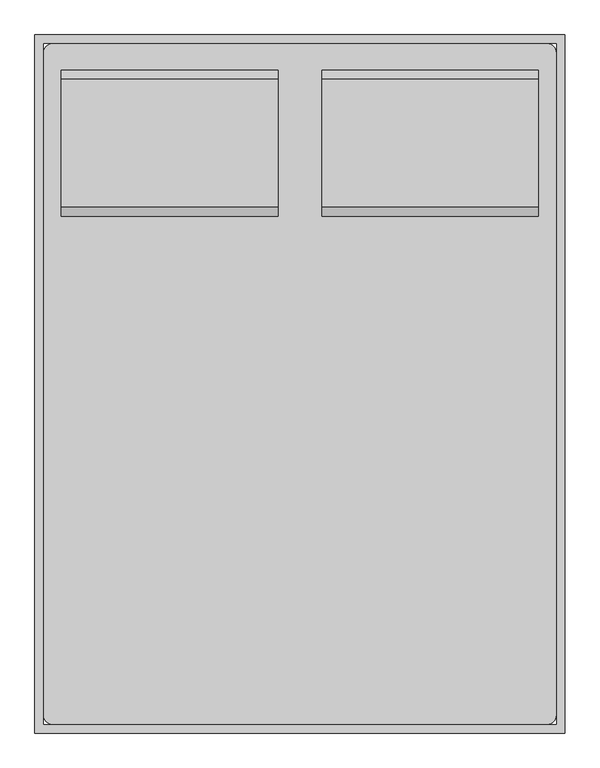
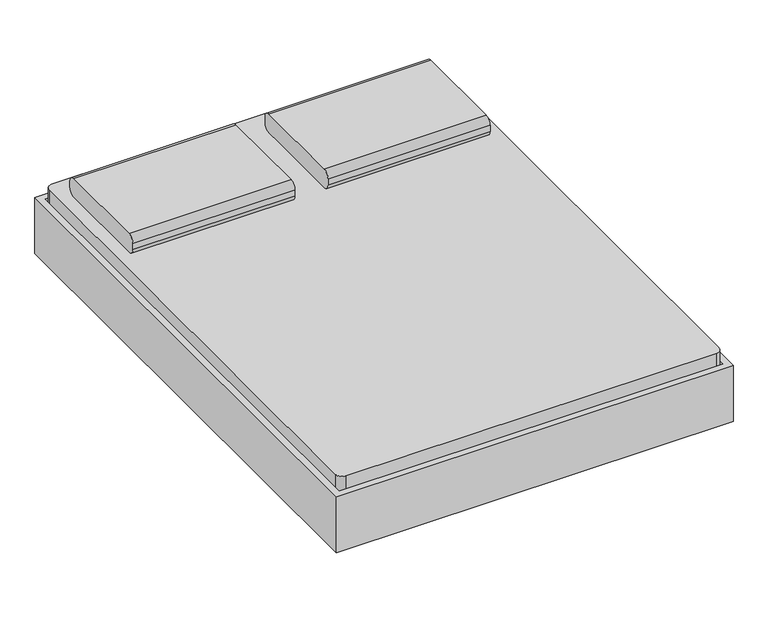
"""IFC4 building model written with IfcOpenShell, lengths in millimetres: furniture geometry."""

from ifc_helpers import new_model, si_unit, point, frame, frame_2d, origin, place, context, project, spatial, polyline, circle_curve, trimmed, segment, composite_curve, outline, extrude, source, transform, mapped, element, save
from ifc_brep_helpers import plane_surface, cylinder_surface, revolved_surface, advanced_brep


def furniture_e2603687(model_context):
    return source(origin(), model_context, "Body", "SolidModel", [
        extrude(outline(composite_curve([segment(polyline([(642.0704918, 406.4), (273.7704918, 406.4)]), True, "CONTINUOUS"), segment(trimmed(circle_curve(frame_2d((273.7704918, 431.8)), 25.4), [point((273.7704918, 406.4))], [point((248.3704918, 431.8))], False, "CARTESIAN"), True, "CONTINUOUS"), segment(polyline([(248.3704918, 431.8), (248.3704918, 457.2)]), True, "CONTINUOUS"), segment(trimmed(circle_curve(frame_2d((273.7704918, 457.2)), 25.4), [point((248.3704918, 457.2))], [point((273.7704918, 482.6))], False, "CARTESIAN"), True, "CONTINUOUS"), segment(polyline([(273.7704918, 482.6), (642.0704918, 482.6)]), True, "CONTINUOUS"), segment(trimmed(circle_curve(frame_2d((642.0704918, 457.2)), 25.4), [point((642.0704918, 482.6))], [point((667.4704918, 457.2))], False, "CARTESIAN"), True, "CONTINUOUS"), segment(polyline([(667.4704918, 457.2), (667.4704918, 431.8)]), True, "CONTINUOUS"), segment(trimmed(circle_curve(frame_2d((642.0704918, 431.8)), 25.4), [point((667.4704918, 431.8))], [point((642.0704918, 406.4))], False, "CARTESIAN"), True, "CONTINUOUS")], self_intersect=False)), frame((402.652459, 0.0, 0.0), z_axis=(1.0, 0.0, 0.0), x_axis=(0.0, 1.0, 0.0)), (0.0, 0.0, 1.0), 622.8),
        extrude(outline(composite_curve([segment(polyline([(642.0704918, 406.4), (273.7704918, 406.4)]), True, "CONTINUOUS"), segment(trimmed(circle_curve(frame_2d((273.7704918, 431.8)), 25.4), [point((273.7704918, 406.4))], [point((248.3704918, 431.8))], False, "CARTESIAN"), True, "CONTINUOUS"), segment(polyline([(248.3704918, 431.8), (248.3704918, 457.2)]), True, "CONTINUOUS"), segment(trimmed(circle_curve(frame_2d((273.7704918, 457.2)), 25.4), [point((248.3704918, 457.2))], [point((273.7704918, 482.6))], False, "CARTESIAN"), True, "CONTINUOUS"), segment(polyline([(273.7704918, 482.6), (642.0704918, 482.6)]), True, "CONTINUOUS"), segment(trimmed(circle_curve(frame_2d((642.0704918, 457.2)), 25.4), [point((642.0704918, 482.6))], [point((667.4704918, 457.2))], False, "CARTESIAN"), True, "CONTINUOUS"), segment(polyline([(667.4704918, 457.2), (667.4704918, 431.8)]), True, "CONTINUOUS"), segment(trimmed(circle_curve(frame_2d((642.0704918, 431.8)), 25.4), [point((667.4704918, 431.8))], [point((642.0704918, 406.4))], False, "CARTESIAN"), True, "CONTINUOUS")], self_intersect=False)), frame((-347.147541, 0.0, 0.0), z_axis=(1.0, 0.0, 0.0), x_axis=(0.0, 1.0, 0.0)), (0.0, 0.0, 1.0), 622.8),
        advanced_brep(
        [(-397.6231784, 515.0704918, 177.8), (-397.6231784, 438.8704918, 177.8), (-397.6231784, 438.8704918, 196.85), (-397.6231784, 515.0704918, 196.85), (-346.8231784, 515.0704918, 177.8), (-346.8231784, 438.8704918, 177.8), (-334.6869899, 438.8704918, 196.85), (-334.6869899, 515.0704918, 196.85), (-270.7523099, 515.0704918, 14.6654962), (-270.7523099, 438.8704918, 14.6654962), (-253.4871466, 438.8704918, 22.716374), (-253.4871466, 515.0704918, 22.716374), (-247.7320921, 438.8704918, 0.0), (-247.7320921, 515.0704918, 0.0), (-247.7320921, 438.8704918, 19.05), (-247.7320921, 515.0704918, 19.05), (-169.1195862, 515.0704918, 0.0), (-169.1195862, 438.8704918, 0.0), (-169.1195862, 438.8704918, 19.05), (-169.1195862, 515.0704918, 19.05), (-156.4195862, 438.8704918, 3.4029547), (-156.4195862, 515.0704918, 3.4029547), (-165.9445862, 438.8704918, 19.9007387), (-165.9445862, 515.0704918, 19.9007387), (-96.322541, 515.0704918, 38.1), (-96.322541, 438.8704918, 38.1), (-101.4269731, 438.8704918, 57.15), (-101.4269731, 515.0704918, 57.15), (774.9518216, 515.0704918, 38.1), (774.9518216, 438.8704918, 38.1), (780.0562537, 438.8704918, 57.15), (780.0562537, 515.0704918, 57.15), (835.0488669, 515.0704918, 3.4029547), (835.0488669, 438.8704918, 3.4029547), (844.5738669, 438.8704918, 19.9007387), (844.5738669, 515.0704918, 19.9007387), (847.7488669, 438.8704918, 0.0), (847.7488669, 515.0704918, 0.0), (847.7488669, 438.8704918, 19.05), (847.7488669, 515.0704918, 19.05), (926.3613728, 515.0704918, 0.0), (926.3613728, 438.8704918, 0.0), (926.3613728, 438.8704918, 19.05), (926.3613728, 515.0704918, 19.05), (949.3815906, 438.8704918, 14.6654962), (949.3815906, 515.0704918, 14.6654962), (932.1164272, 438.8704918, 22.716374), (932.1164272, 515.0704918, 22.716374), (1025.452459, 515.0704918, 177.8), (1025.452459, 438.8704918, 177.8), (1013.3162705, 438.8704918, 196.85), (1013.3162705, 515.0704918, 196.85), (1076.252459, 515.0704918, 177.8), (1076.252459, 515.0704918, 196.85), (1076.252459, 438.8704918, 196.85), (1076.252459, 438.8704918, 177.8)],
        [
            (0, 1),
            (1, 2),
            (2, 3),
            (3, 0),
            (0, 4),
            (4, 5),
            (5, 1),
            (5, 6),
            (6, 2),
            (6, 7),
            (7, 3),
            (7, 4),
            (4, 8),
            (8, 9),
            (9, 5),
            (9, 10),
            (10, 6),
            (10, 11),
            (11, 7),
            (11, 8),
            (12, 9, circle_curve(frame((-247.7320921, 438.8704918, 25.4), z_axis=(0.0, 1.0, 0.0), x_axis=(-0.906307787036649, 0.0, -0.4226182617407015)), 25.4)),
            (8, 13, circle_curve(frame((-247.7320921, 515.0704918, 25.4), z_axis=(0.0, -1.0, 0.0), x_axis=(-0.906307787036649, 0.0, -0.4226182617407015)), 25.4)),
            (13, 12),
            (14, 10, circle_curve(frame((-247.7320921, 438.8704918, 25.4), z_axis=(0.0, 1.0, 0.0), x_axis=(-0.906307787036649, 0.0, -0.4226182617407015)), 6.35)),
            (12, 14),
            (15, 11, circle_curve(frame((-247.7320921, 515.0704918, 25.4), z_axis=(0.0, 1.0, 0.0), x_axis=(-0.906307787036649, 0.0, -0.4226182617407015)), 6.35)),
            (14, 15),
            (15, 13),
            (13, 16),
            (16, 17),
            (17, 12),
            (17, 18),
            (18, 14),
            (18, 19),
            (19, 15),
            (19, 16),
            (20, 17, circle_curve(frame((-169.1195862, 438.8704918, 25.4), z_axis=(0.0, 1.0, 0.0), x_axis=(0.0, 0.0, -1.0)), 25.4)),
            (16, 21, circle_curve(frame((-169.1195862, 515.0704918, 25.4), z_axis=(0.0, -1.0, 0.0), x_axis=(0.0, 0.0, -1.0)), 25.4)),
            (21, 20),
            (22, 18, circle_curve(frame((-169.1195862, 438.8704918, 25.4), z_axis=(0.0, 1.0, 0.0), x_axis=(0.0, 0.0, -1.0)), 6.35)),
            (20, 22),
            (23, 19, circle_curve(frame((-169.1195862, 515.0704918, 25.4), z_axis=(0.0, 1.0, 0.0), x_axis=(0.0, 0.0, -1.0)), 6.35)),
            (22, 23),
            (23, 21),
            (21, 24),
            (24, 25),
            (25, 20),
            (25, 26),
            (26, 22),
            (26, 27),
            (27, 23),
            (27, 24),
            (24, 28),
            (28, 29),
            (29, 25),
            (29, 30),
            (30, 26),
            (30, 31),
            (31, 27),
            (31, 28),
            (28, 32),
            (32, 33),
            (33, 29),
            (33, 34),
            (34, 30),
            (34, 35),
            (35, 31),
            (35, 32),
            (36, 33, circle_curve(frame((847.7488669, 438.8704918, 25.4), z_axis=(0.0, 1.0, 0.0), x_axis=(-0.5000000000000463, 0.0, -0.8660254037844118)), 25.4)),
            (32, 37, circle_curve(frame((847.7488669, 515.0704918, 25.4), z_axis=(0.0, -1.0, 0.0), x_axis=(-0.5000000000000463, 0.0, -0.8660254037844118)), 25.4)),
            (37, 36),
            (38, 34, circle_curve(frame((847.7488669, 438.8704918, 25.4), z_axis=(0.0, 1.0, 0.0), x_axis=(-0.5000000000000463, 0.0, -0.8660254037844118)), 6.35)),
            (36, 38),
            (39, 35, circle_curve(frame((847.7488669, 515.0704918, 25.4), z_axis=(0.0, 1.0, 0.0), x_axis=(-0.5000000000000463, 0.0, -0.8660254037844118)), 6.35)),
            (38, 39),
            (39, 37),
            (37, 40),
            (40, 41),
            (41, 36),
            (41, 42),
            (42, 38),
            (42, 43),
            (43, 39),
            (43, 40),
            (44, 41, circle_curve(frame((926.3613728, 438.8704918, 25.4), z_axis=(0.0, 1.0, 0.0), x_axis=(0.0, 0.0, -1.0)), 25.4)),
            (40, 45, circle_curve(frame((926.3613728, 515.0704918, 25.4), z_axis=(0.0, -1.0, 0.0), x_axis=(0.0, 0.0, -1.0)), 25.4)),
            (45, 44),
            (46, 42, circle_curve(frame((926.3613728, 438.8704918, 25.4), z_axis=(0.0, 1.0, 0.0), x_axis=(0.0, 0.0, -1.0)), 6.35)),
            (44, 46),
            (47, 43, circle_curve(frame((926.3613728, 515.0704918, 25.4), z_axis=(0.0, 1.0, 0.0), x_axis=(0.0, 0.0, -1.0)), 6.35)),
            (46, 47),
            (47, 45),
            (45, 48),
            (48, 49),
            (49, 44),
            (49, 50),
            (50, 46),
            (50, 51),
            (51, 47),
            (51, 48),
            (52, 53),
            (53, 54),
            (54, 55),
            (55, 52),
            (48, 52),
            (55, 49),
            (54, 50),
            (53, 51),
        ],
        [
            plane_surface(frame((-397.6231784, 769.0704918, -152.9490627), z_axis=(-1.0, 0.0, 0.0), x_axis=(0.0, 1.0, 0.0))),
            plane_surface(frame((-397.6231784, 515.0704918, 177.8), z_axis=(0.0, 0.0, -1.0), x_axis=(1.0, 0.0, 0.0))),
            plane_surface(frame((-397.6231784, 438.8704918, 177.8), z_axis=(0.0, -1.0, 0.0), x_axis=(1.0, 0.0, 0.0))),
            plane_surface(frame((-397.6231784, 438.8704918, 196.85), z_axis=(0.0, 0.0, 1.0), x_axis=(1.0, 0.0, 0.0))),
            plane_surface(frame((-397.6231784, 515.0704918, 196.85), z_axis=(0.0, 1.0, 0.0), x_axis=(1.0, 0.0, 0.0))),
            plane_surface(frame((-346.8231784, 515.0704918, 177.8), z_axis=(-0.9063077870366485, 0.0, -0.4226182617407029), x_axis=(0.4226182617407029, 0.0, -0.9063077870366485))),
            plane_surface(frame((-346.8231784, 438.8704918, 177.8), z_axis=(0.0, -1.0, 0.0), x_axis=(0.42261826174070266, 0.0, -0.9063077870366485))),
            plane_surface(frame((-334.6869899, 438.8704918, 196.85), z_axis=(0.9063077870366486, 0.0, 0.4226182617407026), x_axis=(0.4226182617407026, 0.0, -0.9063077870366486))),
            plane_surface(frame((-334.6869899, 515.0704918, 196.85), z_axis=(0.0, 1.0, 0.0), x_axis=(0.42261826174070266, 0.0, -0.9063077870366485))),
            cylinder_surface(frame((-247.7320921, 769.0704918, 25.4), z_axis=(0.0, -1.0, 0.0), x_axis=(-0.906307787036649, 0.0, -0.4226182617407015)), 25.4),
            plane_surface(frame((-247.7320921, 438.8704918, 25.4), z_axis=(0.0, -1.0, 0.0), x_axis=(-0.906307787036649, 0.0, -0.4226182617407015))),
            revolved_surface(polyline([(-253.4871465476827, 438.8704918, 22.716374037946544), (-253.4871465476827, 515.0704918, 22.716374037946544)]), (-247.7320921, 769.0704918, 25.4), (0.0, -1.0, 0.0)),
            plane_surface(frame((-247.7320921, 515.0704918, 25.4), z_axis=(0.0, 1.0, 0.0), x_axis=(-0.906307787036649, 0.0, -0.4226182617407015))),
            plane_surface(frame((-247.7320921, 515.0704918, 0.0), z_axis=(0.0, 0.0, -1.0), x_axis=(1.0, 0.0, 0.0))),
            plane_surface(frame((-247.7320921, 438.8704918, 0.0), z_axis=(0.0, -1.0, 0.0), x_axis=(1.0, 0.0, 0.0))),
            plane_surface(frame((-247.7320921, 438.8704918, 19.05), z_axis=(0.0, 0.0, 1.0), x_axis=(1.0, 0.0, 0.0))),
            plane_surface(frame((-247.7320921, 515.0704918, 19.05), z_axis=(0.0, 1.0, 0.0), x_axis=(1.0, 0.0, 0.0))),
            cylinder_surface(frame((-169.1195862, 769.0704918, 25.4), z_axis=(0.0, -1.0, 0.0), x_axis=(0.0, 0.0, -1.0)), 25.4),
            plane_surface(frame((-169.1195862, 438.8704918, 25.4), z_axis=(0.0, -1.0, 0.0), x_axis=(0.0, 0.0, -1.0))),
            revolved_surface(polyline([(-169.1195862, 438.8704918, 19.049999999999997), (-169.1195862, 515.0704918, 19.049999999999997)]), (-169.1195862, 769.0704918, 25.4), (0.0, -1.0, 0.0)),
            plane_surface(frame((-169.1195862, 515.0704918, 25.4), z_axis=(0.0, 1.0, 0.0), x_axis=(0.0, 0.0, -1.0))),
            plane_surface(frame((-156.4195862, 515.0704918, 3.4029547), z_axis=(0.49999999999987765, 0.0, -0.8660254037845093), x_axis=(0.8660254037845093, 0.0, 0.49999999999987765))),
            plane_surface(frame((-156.4195862, 438.8704918, 3.4029547), z_axis=(0.0, -1.0, 0.0), x_axis=(0.8660254037845091, 0.0, 0.499999999999878))),
            plane_surface(frame((-165.9445862, 438.8704918, 19.9007387), z_axis=(-0.49999999999987765, 0.0, 0.8660254037845093), x_axis=(0.8660254037845093, 0.0, 0.49999999999987765))),
            plane_surface(frame((-165.9445862, 515.0704918, 19.9007387), z_axis=(0.0, 1.0000000000000002, 0.0), x_axis=(0.8660254037845089, 0.0, 0.4999999999998785))),
            plane_surface(frame((-96.322541, 515.0704918, 38.1), z_axis=(0.0, 0.0, -1.0), x_axis=(1.0, 0.0, 0.0))),
            plane_surface(frame((-96.322541, 438.8704918, 38.1), z_axis=(0.0, -1.0, 0.0), x_axis=(1.0, 0.0, 0.0))),
            plane_surface(frame((-101.4269731, 438.8704918, 57.15), z_axis=(0.0, 0.0, 1.0), x_axis=(1.0, 0.0, 0.0))),
            plane_surface(frame((-101.4269731, 515.0704918, 57.15), z_axis=(0.0, 1.0, 0.0), x_axis=(1.0, 0.0, 0.0))),
            plane_surface(frame((774.9518216, 515.0704918, 38.1), z_axis=(-0.5000000000000452, 0.0, -0.8660254037844126), x_axis=(0.8660254037844126, 0.0, -0.5000000000000452))),
            plane_surface(frame((774.9518216, 438.8704918, 38.1), z_axis=(0.0, -1.0, 0.0), x_axis=(0.8660254037844124, 0.0, -0.5000000000000455))),
            plane_surface(frame((780.0562537, 438.8704918, 57.15), z_axis=(0.5000000000000464, 0.0, 0.8660254037844118), x_axis=(0.8660254037844118, 0.0, -0.5000000000000464))),
            plane_surface(frame((780.0562537, 515.0704918, 57.15), z_axis=(0.0, 1.0000000000000002, 0.0), x_axis=(0.866025403784413, 0.0, -0.5000000000000447))),
            cylinder_surface(frame((847.7488669, 769.0704918, 25.4), z_axis=(0.0, -1.0, 0.0), x_axis=(-0.5000000000000463, 0.0, -0.8660254037844118)), 25.4),
            plane_surface(frame((847.7488669, 438.8704918, 25.4), z_axis=(0.0, -1.0000000000000002, 0.0), x_axis=(-0.5000000000000464, 0.0, -0.866025403784412))),
            revolved_surface(polyline([(844.5738668999998, 438.8704918, 19.90073868596898), (844.5738668999998, 515.0704918, 19.90073868596898)]), (847.7488669, 769.0704918, 25.4), (0.0, -1.0, 0.0)),
            plane_surface(frame((847.7488669, 515.0704918, 25.4), z_axis=(0.0, 1.0000000000000002, 0.0), x_axis=(-0.5000000000000464, 0.0, -0.866025403784412))),
            plane_surface(frame((847.7488669, 515.0704918, 0.0), z_axis=(0.0, 0.0, -1.0), x_axis=(1.0, 0.0, 0.0))),
            plane_surface(frame((847.7488669, 438.8704918, 0.0), z_axis=(0.0, -1.0, 0.0), x_axis=(1.0, 0.0, 0.0))),
            plane_surface(frame((847.7488669, 438.8704918, 19.05), z_axis=(0.0, 0.0, 1.0), x_axis=(1.0, 0.0, 0.0))),
            plane_surface(frame((847.7488669, 515.0704918, 19.05), z_axis=(0.0, 1.0, 0.0), x_axis=(1.0, 0.0, 0.0))),
            cylinder_surface(frame((926.3613728, 769.0704918, 25.4), z_axis=(0.0, -1.0, 0.0), x_axis=(0.0, 0.0, -1.0)), 25.4),
            plane_surface(frame((926.3613728, 438.8704918, 25.4), z_axis=(0.0, -1.0, 0.0), x_axis=(0.0, 0.0, -1.0))),
            revolved_surface(polyline([(926.3613728, 438.8704918, 19.049999999999997), (926.3613728, 515.0704918, 19.049999999999997)]), (926.3613728, 769.0704918, 25.4), (0.0, -1.0, 0.0)),
            plane_surface(frame((926.3613728, 515.0704918, 25.4), z_axis=(0.0, 1.0, 0.0), x_axis=(0.0, 0.0, -1.0))),
            plane_surface(frame((949.3815906, 515.0704918, 14.6654962), z_axis=(0.9063077870366805, 0.0, -0.422618261740634), x_axis=(0.422618261740634, 0.0, 0.9063077870366805))),
            plane_surface(frame((949.3815906, 438.8704918, 14.6654962), z_axis=(0.0, -1.0, 0.0), x_axis=(0.4226182617406339, 0.0, 0.9063077870366806))),
            plane_surface(frame((932.1164272, 438.8704918, 22.716374), z_axis=(-0.9063077870366808, 0.0, 0.4226182617406335), x_axis=(0.4226182617406335, 0.0, 0.9063077870366808))),
            plane_surface(frame((932.1164272, 515.0704918, 22.716374), z_axis=(0.0, 1.0, 0.0), x_axis=(0.42261826174063294, 0.0, 0.906307787036681))),
            plane_surface(frame((1076.252459, 769.0704918, -152.9490627), z_axis=(1.0, 0.0, 0.0), x_axis=(0.0, 1.0, 0.0))),
            plane_surface(frame((1025.452459, 515.0704918, 177.8), z_axis=(0.0, 0.0, -1.0), x_axis=(1.0, 0.0, 0.0))),
            plane_surface(frame((1025.452459, 438.8704918, 177.8), z_axis=(0.0, -1.0, 0.0), x_axis=(1.0, 0.0, 0.0))),
            plane_surface(frame((1013.3162705, 438.8704918, 196.85), z_axis=(0.0, 0.0, 1.0), x_axis=(1.0, 0.0, 0.0))),
            plane_surface(frame((1013.3162705, 515.0704918, 196.85), z_axis=(0.0, 1.0, 0.0), x_axis=(1.0, 0.0, 0.0))),
        ],
        [
            (0, [[1, 2, 3, 4]]),
            (1, [[-1, 5, 6, 7]]),
            (2, [[-2, -7, 8, 9]]),
            (3, [[-3, -9, 10, 11]]),
            (4, [[-4, -11, 12, -5]]),
            (5, [[-6, 13, 14, 15]]),
            (6, [[-8, -15, 16, 17]]),
            (7, [[-10, -17, 18, 19]]),
            (8, [[-12, -19, 20, -13]]),
            (9, [[21, -14, 22, 23]]),
            (10, [[24, -16, -21, 25]]),
            (11, [[26, -18, -24, 27]]),
            (12, [[-22, -20, -26, 28]]),
            (13, [[-23, 29, 30, 31]]),
            (14, [[-25, -31, 32, 33]]),
            (15, [[-27, -33, 34, 35]]),
            (16, [[-28, -35, 36, -29]]),
            (17, [[37, -30, 38, 39]]),
            (18, [[40, -32, -37, 41]]),
            (19, [[42, -34, -40, 43]]),
            (20, [[-38, -36, -42, 44]]),
            (21, [[-39, 45, 46, 47]]),
            (22, [[-41, -47, 48, 49]]),
            (23, [[-43, -49, 50, 51]]),
            (24, [[-44, -51, 52, -45]]),
            (25, [[-46, 53, 54, 55]]),
            (26, [[-48, -55, 56, 57]]),
            (27, [[-50, -57, 58, 59]]),
            (28, [[-52, -59, 60, -53]]),
            (29, [[-54, 61, 62, 63]]),
            (30, [[-56, -63, 64, 65]]),
            (31, [[-58, -65, 66, 67]]),
            (32, [[-60, -67, 68, -61]]),
            (33, [[69, -62, 70, 71]]),
            (34, [[72, -64, -69, 73]]),
            (35, [[74, -66, -72, 75]]),
            (36, [[-70, -68, -74, 76]]),
            (37, [[-71, 77, 78, 79]]),
            (38, [[-73, -79, 80, 81]]),
            (39, [[-75, -81, 82, 83]]),
            (40, [[-76, -83, 84, -77]]),
            (41, [[85, -78, 86, 87]]),
            (42, [[88, -80, -85, 89]]),
            (43, [[90, -82, -88, 91]]),
            (44, [[-86, -84, -90, 92]]),
            (45, [[-87, 93, 94, 95]]),
            (46, [[-89, -95, 96, 97]]),
            (47, [[-91, -97, 98, 99]]),
            (48, [[-92, -99, 100, -93]]),
            (49, [[101, 102, 103, 104]]),
            (50, [[-94, 105, -104, 106]]),
            (51, [[-96, -106, -103, 107]]),
            (52, [[-98, -107, -102, 108]]),
            (53, [[-100, -108, -101, -105]]),
        ],
    ),
        extrude(outline(composite_curve([segment(polyline([(-372.547541, 743.6704918), (1050.852459, 743.6704918)]), True, "CONTINUOUS"), segment(trimmed(circle_curve(frame_2d((1050.852459, 718.2704918)), 25.4), [point((1050.852459, 743.6704918))], [point((1076.252459, 718.2704918))], False, "CARTESIAN"), True, "CONTINUOUS"), segment(polyline([(1076.252459, 718.2704918), (1076.252459, -1187.1295082)]), True, "CONTINUOUS"), segment(trimmed(circle_curve(frame_2d((1050.852459, -1187.1295082)), 25.4), [point((1076.252459, -1187.1295082))], [point((1050.852459, -1212.5295082))], False, "CARTESIAN"), True, "CONTINUOUS"), segment(polyline([(1050.852459, -1212.5295082), (-372.547541, -1212.5295082)]), True, "CONTINUOUS"), segment(trimmed(circle_curve(frame_2d((-372.547541, -1187.1295082)), 25.4), [point((-372.547541, -1212.5295082))], [point((-397.947541, -1187.1295082))], False, "CARTESIAN"), True, "CONTINUOUS"), segment(polyline([(-397.947541, -1187.1295082), (-397.947541, 718.2704918)]), True, "CONTINUOUS"), segment(trimmed(circle_curve(frame_2d((-372.547541, 718.2704918)), 25.4), [point((-397.947541, 718.2704918))], [point((-372.547541, 743.6704918))], False, "CARTESIAN"), True, "CONTINUOUS")], self_intersect=False)), frame((0.0, 0.0, 203.2), z_axis=(0.0, 0.0, 1.0), x_axis=(1.0, 0.0, 0.0)), (0.0, 0.0, 1.0), 203.2),
        advanced_brep(
        [(-397.947541, -933.1295082, 196.85), (-397.947541, -933.1295082, 177.8), (-397.947541, -1009.3295082, 177.8), (-397.947541, -1009.3295082, 196.85), (-335.0113525, -933.1295082, 196.85), (-347.147541, -933.1295082, 177.8), (-347.147541, -1009.3295082, 177.8), (-335.0113525, -1009.3295082, 196.85), (-253.8115092, -933.1295082, 22.716374), (-271.0766725, -933.1295082, 14.6654962), (-271.0766725, -1009.3295082, 14.6654962), (-253.8115092, -1009.3295082, 22.716374), (-248.0564547, -933.1295082, 0.0), (-248.0564547, -933.1295082, 19.05), (-248.0564547, -1009.3295082, 0.0), (-248.0564547, -1009.3295082, 19.05), (-169.4439489, -933.1295082, 19.05), (-169.4439489, -933.1295082, 0.0), (-169.4439489, -1009.3295082, 0.0), (-169.4439489, -1009.3295082, 19.05), (-156.7439489, -933.1295082, 3.4029547), (-166.2689489, -933.1295082, 19.9007387), (-156.7439489, -1009.3295082, 3.4029547), (-166.2689489, -1009.3295082, 19.9007387), (-101.7513357, -933.1295082, 57.15), (-96.6469036, -933.1295082, 38.1), (-96.6469036, -1009.3295082, 38.1), (-101.7513357, -1009.3295082, 57.15), (780.0562537, -933.1295082, 57.15), (774.9518216, -933.1295082, 38.1), (774.9518216, -1009.3295082, 38.1), (780.0562537, -1009.3295082, 57.15), (844.5738669, -933.1295082, 19.9007387), (835.0488669, -933.1295082, 3.4029547), (835.0488669, -1009.3295082, 3.4029547), (844.5738669, -1009.3295082, 19.9007387), (847.7488669, -933.1295082, 0.0), (847.7488669, -933.1295082, 19.05), (847.7488669, -1009.3295082, 0.0), (847.7488669, -1009.3295082, 19.05), (926.3613728, -933.1295082, 19.05), (926.3613728, -933.1295082, 0.0), (926.3613728, -1009.3295082, 0.0), (926.3613728, -1009.3295082, 19.05), (949.3815906, -933.1295082, 14.6654962), (932.1164272, -933.1295082, 22.716374), (949.3815906, -1009.3295082, 14.6654962), (932.1164272, -1009.3295082, 22.716374), (1013.3162705, -933.1295082, 196.85), (1025.452459, -933.1295082, 177.8), (1025.452459, -1009.3295082, 177.8), (1013.3162705, -1009.3295082, 196.85), (1076.252459, -933.1295082, 196.85), (1076.252459, -1009.3295082, 196.85), (1076.252459, -1009.3295082, 177.8), (1076.252459, -933.1295082, 177.8)],
        [
            (0, 1),
            (1, 2),
            (2, 3),
            (3, 0),
            (0, 4),
            (4, 5),
            (5, 1),
            (5, 6),
            (6, 2),
            (6, 7),
            (7, 3),
            (7, 4),
            (4, 8),
            (8, 9),
            (9, 5),
            (9, 10),
            (10, 6),
            (10, 11),
            (11, 7),
            (11, 8),
            (12, 9, circle_curve(frame((-248.0564547, -933.1295082, 25.4), z_axis=(0.0, 1.0, 0.0), x_axis=(-0.9063077870366625, 0.0, -0.4226182617406725)), 25.4)),
            (8, 13, circle_curve(frame((-248.0564547, -933.1295082, 25.4), z_axis=(0.0, -1.0, 0.0), x_axis=(-0.9063077870366625, 0.0, -0.4226182617406725)), 6.35)),
            (13, 12),
            (14, 10, circle_curve(frame((-248.0564547, -1009.3295082, 25.4), z_axis=(0.0, 1.0, 0.0), x_axis=(-0.9063077870366625, 0.0, -0.4226182617406725)), 25.4)),
            (12, 14),
            (15, 11, circle_curve(frame((-248.0564547, -1009.3295082, 25.4), z_axis=(0.0, 1.0, 0.0), x_axis=(-0.9063077870366625, 0.0, -0.4226182617406725)), 6.35)),
            (14, 15),
            (15, 13),
            (13, 16),
            (16, 17),
            (17, 12),
            (17, 18),
            (18, 14),
            (18, 19),
            (19, 15),
            (19, 16),
            (20, 17, circle_curve(frame((-169.4439489, -933.1295082, 25.4), z_axis=(0.0, 1.0, 0.0), x_axis=(0.0, 0.0, -1.0)), 25.4)),
            (16, 21, circle_curve(frame((-169.4439489, -933.1295082, 25.4), z_axis=(0.0, -1.0, 0.0), x_axis=(0.0, 0.0, -1.0)), 6.35)),
            (21, 20),
            (22, 18, circle_curve(frame((-169.4439489, -1009.3295082, 25.4), z_axis=(0.0, 1.0, 0.0), x_axis=(0.0, 0.0, -1.0)), 25.4)),
            (20, 22),
            (23, 19, circle_curve(frame((-169.4439489, -1009.3295082, 25.4), z_axis=(0.0, 1.0, 0.0), x_axis=(0.0, 0.0, -1.0)), 6.35)),
            (22, 23),
            (23, 21),
            (21, 24),
            (24, 25),
            (25, 20),
            (25, 26),
            (26, 22),
            (26, 27),
            (27, 23),
            (27, 24),
            (24, 28),
            (28, 29),
            (29, 25),
            (29, 30),
            (30, 26),
            (30, 31),
            (31, 27),
            (31, 28),
            (28, 32),
            (32, 33),
            (33, 29),
            (33, 34),
            (34, 30),
            (34, 35),
            (35, 31),
            (35, 32),
            (36, 33, circle_curve(frame((847.7488669, -933.1295082, 25.4), z_axis=(0.0, 1.0, 0.0), x_axis=(-0.5000000000000528, 0.0, -0.8660254037844081)), 25.4)),
            (32, 37, circle_curve(frame((847.7488669, -933.1295082, 25.4), z_axis=(0.0, -1.0, 0.0), x_axis=(-0.5000000000000528, 0.0, -0.8660254037844081)), 6.35)),
            (37, 36),
            (38, 34, circle_curve(frame((847.7488669, -1009.3295082, 25.4), z_axis=(0.0, 1.0, 0.0), x_axis=(-0.5000000000000528, 0.0, -0.8660254037844081)), 25.4)),
            (36, 38),
            (39, 35, circle_curve(frame((847.7488669, -1009.3295082, 25.4), z_axis=(0.0, 1.0, 0.0), x_axis=(-0.5000000000000528, 0.0, -0.8660254037844081)), 6.35)),
            (38, 39),
            (39, 37),
            (37, 40),
            (40, 41),
            (41, 36),
            (41, 42),
            (42, 38),
            (42, 43),
            (43, 39),
            (43, 40),
            (44, 41, circle_curve(frame((926.3613728, -933.1295082, 25.4), z_axis=(0.0, 1.0, 0.0), x_axis=(0.0, 0.0, -1.0)), 25.4)),
            (40, 45, circle_curve(frame((926.3613728, -933.1295082, 25.4), z_axis=(0.0, -1.0, 0.0), x_axis=(0.0, 0.0, -1.0)), 6.35)),
            (45, 44),
            (46, 42, circle_curve(frame((926.3613728, -1009.3295082, 25.4), z_axis=(0.0, 1.0, 0.0), x_axis=(0.0, 0.0, -1.0)), 25.4)),
            (44, 46),
            (47, 43, circle_curve(frame((926.3613728, -1009.3295082, 25.4), z_axis=(0.0, 1.0, 0.0), x_axis=(0.0, 0.0, -1.0)), 6.35)),
            (46, 47),
            (47, 45),
            (45, 48),
            (48, 49),
            (49, 44),
            (49, 50),
            (50, 46),
            (50, 51),
            (51, 47),
            (51, 48),
            (52, 53),
            (53, 54),
            (54, 55),
            (55, 52),
            (48, 52),
            (55, 49),
            (54, 50),
            (53, 51),
        ],
        [
            plane_surface(frame((-397.947541, -1237.9295082, -127.5947323), z_axis=(-1.0, 0.0, 0.0), x_axis=(0.0, 1.0, 0.0))),
            plane_surface(frame((-397.947541, -933.1295082, 196.85), z_axis=(0.0, 1.0, 0.0), x_axis=(1.0, 0.0, 0.0))),
            plane_surface(frame((-397.947541, -933.1295082, 177.8), z_axis=(0.0, 0.0, -1.0), x_axis=(1.0, 0.0, 0.0))),
            plane_surface(frame((-397.947541, -1009.3295082, 177.8), z_axis=(0.0, -1.0, 0.0), x_axis=(1.0, 0.0, 0.0))),
            plane_surface(frame((-397.947541, -1009.3295082, 196.85), z_axis=(0.0, 0.0, 1.0), x_axis=(1.0, 0.0, 0.0))),
            plane_surface(frame((-335.0113525, -933.1295082, 196.85), z_axis=(0.0, 1.0, 0.0), x_axis=(0.42261826174067124, 0.0, -0.9063077870366631))),
            plane_surface(frame((-347.147541, -933.1295082, 177.8), z_axis=(-0.9063077870366631, 0.0, -0.42261826174067113), x_axis=(0.42261826174067113, 0.0, -0.9063077870366631))),
            plane_surface(frame((-347.147541, -1009.3295082, 177.8), z_axis=(0.0, -1.0, 0.0), x_axis=(0.422618261740671, 0.0, -0.9063077870366633))),
            plane_surface(frame((-335.0113525, -1009.3295082, 196.85), z_axis=(0.9063077870366631, 0.0, 0.42261826174067124), x_axis=(0.42261826174067124, 0.0, -0.9063077870366631))),
            plane_surface(frame((-248.0564547, -933.1295082, 25.4), z_axis=(0.0, 1.0, 0.0), x_axis=(-0.9063077870366625, 0.0, -0.4226182617406725))),
            cylinder_surface(frame((-248.0564547, -1237.9295082, 25.4), z_axis=(0.0, -1.0, 0.0), x_axis=(-0.9063077870366625, 0.0, -0.4226182617406725)), 25.4),
            plane_surface(frame((-248.0564547, -1009.3295082, 25.4), z_axis=(0.0, -1.0, 0.0), x_axis=(-0.9063077870366625, 0.0, -0.4226182617406725))),
            revolved_surface(polyline([(-253.81150914768278, -1009.3295082, 22.71637403794673), (-253.81150914768278, -933.1295082, 22.71637403794673)]), (-248.0564547, -1237.9295082, 25.4), (0.0, -1.0, 0.0)),
            plane_surface(frame((-248.0564547, -933.1295082, 19.05), z_axis=(0.0, 1.0, 0.0), x_axis=(1.0, 0.0, 0.0))),
            plane_surface(frame((-248.0564547, -933.1295082, 0.0), z_axis=(0.0, 0.0, -1.0), x_axis=(1.0, 0.0, 0.0))),
            plane_surface(frame((-248.0564547, -1009.3295082, 0.0), z_axis=(0.0, -1.0, 0.0), x_axis=(1.0, 0.0, 0.0))),
            plane_surface(frame((-248.0564547, -1009.3295082, 19.05), z_axis=(0.0, 0.0, 1.0), x_axis=(1.0, 0.0, 0.0))),
            plane_surface(frame((-169.4439489, -933.1295082, 25.4), z_axis=(0.0, 1.0, 0.0), x_axis=(0.0, 0.0, -1.0))),
            cylinder_surface(frame((-169.4439489, -1237.9295082, 25.4), z_axis=(0.0, -1.0, 0.0), x_axis=(0.0, 0.0, -1.0)), 25.4),
            plane_surface(frame((-169.4439489, -1009.3295082, 25.4), z_axis=(0.0, -1.0, 0.0), x_axis=(0.0, 0.0, -1.0))),
            revolved_surface(polyline([(-169.4439489, -1009.3295082, 19.049999999999997), (-169.4439489, -933.1295082, 19.049999999999997)]), (-169.4439489, -1237.9295082, 25.4), (0.0, -1.0, 0.0)),
            plane_surface(frame((-166.2689489, -933.1295082, 19.9007387), z_axis=(0.0, 1.0, 0.0), x_axis=(0.8660254037844788, 0.0, 0.49999999999993056))),
            plane_surface(frame((-156.7439489, -933.1295082, 3.4029547), z_axis=(0.4999999999999305, 0.0, -0.8660254037844788), x_axis=(0.8660254037844788, 0.0, 0.4999999999999305))),
            plane_surface(frame((-156.7439489, -1009.3295082, 3.4029547), z_axis=(0.0, -1.0, 0.0), x_axis=(0.8660254037844788, 0.0, 0.49999999999993044))),
            plane_surface(frame((-166.2689489, -1009.3295082, 19.9007387), z_axis=(-0.49999999999993033, 0.0, 0.8660254037844789), x_axis=(0.8660254037844789, 0.0, 0.49999999999993033))),
            plane_surface(frame((-101.7513357, -933.1295082, 57.15), z_axis=(0.0, 1.0, 0.0), x_axis=(1.0, 0.0, 0.0))),
            plane_surface(frame((-96.6469036, -933.1295082, 38.1), z_axis=(0.0, 0.0, -1.0), x_axis=(1.0, 0.0, 0.0))),
            plane_surface(frame((-96.6469036, -1009.3295082, 38.1), z_axis=(0.0, -1.0, 0.0), x_axis=(1.0, 0.0, 0.0))),
            plane_surface(frame((-101.7513357, -1009.3295082, 57.15), z_axis=(0.0, 0.0, 1.0), x_axis=(1.0, 0.0, 0.0))),
            plane_surface(frame((780.0562537, -933.1295082, 57.15), z_axis=(0.0, 1.0, 0.0), x_axis=(0.8660254037844092, 0.0, -0.5000000000000511))),
            plane_surface(frame((774.9518216, -933.1295082, 38.1), z_axis=(-0.5000000000000514, 0.0, -0.866025403784409), x_axis=(0.866025403784409, 0.0, -0.5000000000000514))),
            plane_surface(frame((774.9518216, -1009.3295082, 38.1), z_axis=(0.0, -1.0, 0.0), x_axis=(0.8660254037844092, 0.0, -0.5000000000000512))),
            plane_surface(frame((780.0562537, -1009.3295082, 57.15), z_axis=(0.500000000000051, 0.0, 0.8660254037844093), x_axis=(0.8660254037844093, 0.0, -0.500000000000051))),
            plane_surface(frame((847.7488669, -933.1295082, 25.4), z_axis=(0.0, 1.0000000000000002, 0.0), x_axis=(-0.500000000000053, 0.0, -0.8660254037844082))),
            cylinder_surface(frame((847.7488669, -1237.9295082, 25.4), z_axis=(0.0, -1.0, 0.0), x_axis=(-0.5000000000000528, 0.0, -0.8660254037844081)), 25.4),
            plane_surface(frame((847.7488669, -1009.3295082, 25.4), z_axis=(0.0, -1.0000000000000002, 0.0), x_axis=(-0.500000000000053, 0.0, -0.8660254037844082))),
            revolved_surface(polyline([(844.5738668999998, -1009.3295082, 19.900738685969007), (844.5738668999998, -933.1295082, 19.900738685969007)]), (847.7488669, -1237.9295082, 25.4), (0.0, -1.0, 0.0)),
            plane_surface(frame((847.7488669, -933.1295082, 19.05), z_axis=(0.0, 1.0, 0.0), x_axis=(1.0, 0.0, 0.0))),
            plane_surface(frame((847.7488669, -933.1295082, 0.0), z_axis=(0.0, 0.0, -1.0), x_axis=(1.0, 0.0, 0.0))),
            plane_surface(frame((847.7488669, -1009.3295082, 0.0), z_axis=(0.0, -1.0, 0.0), x_axis=(1.0, 0.0, 0.0))),
            plane_surface(frame((847.7488669, -1009.3295082, 19.05), z_axis=(0.0, 0.0, 1.0), x_axis=(1.0, 0.0, 0.0))),
            plane_surface(frame((926.3613728, -933.1295082, 25.4), z_axis=(0.0, 1.0, 0.0), x_axis=(0.0, 0.0, -1.0))),
            cylinder_surface(frame((926.3613728, -1237.9295082, 25.4), z_axis=(0.0, -1.0, 0.0), x_axis=(0.0, 0.0, -1.0)), 25.4),
            plane_surface(frame((926.3613728, -1009.3295082, 25.4), z_axis=(0.0, -1.0, 0.0), x_axis=(0.0, 0.0, -1.0))),
            revolved_surface(polyline([(926.3613728, -1009.3295082, 19.049999999999997), (926.3613728, -933.1295082, 19.049999999999997)]), (926.3613728, -1237.9295082, 25.4), (0.0, -1.0, 0.0)),
            plane_surface(frame((932.1164272, -933.1295082, 22.716374), z_axis=(0.0, 1.0, 0.0), x_axis=(0.42261826174053974, 0.0, 0.9063077870367244))),
            plane_surface(frame((949.3815906, -933.1295082, 14.6654962), z_axis=(0.9063077870367244, 0.0, -0.42261826174053996), x_axis=(0.42261826174053996, 0.0, 0.9063077870367244))),
            plane_surface(frame((949.3815906, -1009.3295082, 14.6654962), z_axis=(0.0, -1.0, 0.0), x_axis=(0.4226182617405396, 0.0, 0.9063077870367245))),
            plane_surface(frame((932.1164272, -1009.3295082, 22.716374), z_axis=(-0.9063077870367247, 0.0, 0.4226182617405392), x_axis=(0.4226182617405392, 0.0, 0.9063077870367247))),
            plane_surface(frame((1076.252459, -1237.9295082, -127.5947323), z_axis=(1.0, 0.0, 0.0), x_axis=(0.0, 1.0, 0.0))),
            plane_surface(frame((1013.3162705, -933.1295082, 196.85), z_axis=(0.0, 1.0, 0.0), x_axis=(1.0, 0.0, 0.0))),
            plane_surface(frame((1025.452459, -933.1295082, 177.8), z_axis=(0.0, 0.0, -1.0), x_axis=(1.0, 0.0, 0.0))),
            plane_surface(frame((1025.452459, -1009.3295082, 177.8), z_axis=(0.0, -1.0, 0.0), x_axis=(1.0, 0.0, 0.0))),
            plane_surface(frame((1013.3162705, -1009.3295082, 196.85), z_axis=(0.0, 0.0, 1.0), x_axis=(1.0, 0.0, 0.0))),
        ],
        [
            (0, [[1, 2, 3, 4]]),
            (1, [[-1, 5, 6, 7]]),
            (2, [[-2, -7, 8, 9]]),
            (3, [[-3, -9, 10, 11]]),
            (4, [[-4, -11, 12, -5]]),
            (5, [[-6, 13, 14, 15]]),
            (6, [[-8, -15, 16, 17]]),
            (7, [[-10, -17, 18, 19]]),
            (8, [[-12, -19, 20, -13]]),
            (9, [[21, -14, 22, 23]]),
            (10, [[24, -16, -21, 25]]),
            (11, [[26, -18, -24, 27]]),
            (12, [[-22, -20, -26, 28]]),
            (13, [[-23, 29, 30, 31]]),
            (14, [[-25, -31, 32, 33]]),
            (15, [[-27, -33, 34, 35]]),
            (16, [[-28, -35, 36, -29]]),
            (17, [[37, -30, 38, 39]]),
            (18, [[40, -32, -37, 41]]),
            (19, [[42, -34, -40, 43]]),
            (20, [[-38, -36, -42, 44]]),
            (21, [[-39, 45, 46, 47]]),
            (22, [[-41, -47, 48, 49]]),
            (23, [[-43, -49, 50, 51]]),
            (24, [[-44, -51, 52, -45]]),
            (25, [[-46, 53, 54, 55]]),
            (26, [[-48, -55, 56, 57]]),
            (27, [[-50, -57, 58, 59]]),
            (28, [[-52, -59, 60, -53]]),
            (29, [[-54, 61, 62, 63]]),
            (30, [[-56, -63, 64, 65]]),
            (31, [[-58, -65, 66, 67]]),
            (32, [[-60, -67, 68, -61]]),
            (33, [[69, -62, 70, 71]]),
            (34, [[72, -64, -69, 73]]),
            (35, [[74, -66, -72, 75]]),
            (36, [[-70, -68, -74, 76]]),
            (37, [[-71, 77, 78, 79]]),
            (38, [[-73, -79, 80, 81]]),
            (39, [[-75, -81, 82, 83]]),
            (40, [[-76, -83, 84, -77]]),
            (41, [[85, -78, 86, 87]]),
            (42, [[88, -80, -85, 89]]),
            (43, [[90, -82, -88, 91]]),
            (44, [[-86, -84, -90, 92]]),
            (45, [[-87, 93, 94, 95]]),
            (46, [[-89, -95, 96, 97]]),
            (47, [[-91, -97, 98, 99]]),
            (48, [[-92, -99, 100, -93]]),
            (49, [[101, 102, 103, 104]]),
            (50, [[-94, 105, -104, 106]]),
            (51, [[-96, -106, -103, 107]]),
            (52, [[-98, -107, -102, 108]]),
            (53, [[-100, -108, -101, -105]]),
        ],
    ),
        extrude(outline(polyline([(1101.652459, 769.0704918), (1101.652459, -1237.9295082), (-423.347541, -1237.9295082), (-423.347541, 769.0704918), (1101.652459, 769.0704918)]), holes=[polyline([(1076.252459, 743.6704918), (-397.947541, 743.6704918), (-397.947541, -1212.5295082), (1076.252459, -1212.5295082), (1076.252459, 743.6704918)])]), frame((0.0, 0.0, 127.0), z_axis=(0.0, 0.0, 1.0), x_axis=(1.0, 0.0, 0.0)), (0.0, 0.0, 1.0), 228.6),
    ])


if __name__ == "__main__":
    model = new_model("IFC4")
    model_context = context("Model", 3, world=origin())
    ifc_project = project(units=[si_unit("LENGTHUNIT", "METRE", prefix="MILLI")], contexts=[model_context])
    site = spatial("IfcSite", under=ifc_project)
    building = spatial("IfcBuilding", under=site)
    placement = place(None, origin())
    furniture_shape = furniture_e2603687(model_context)
    element("IfcFurniture", 1, at=placement, inside=building, context=model_context, shape_type="MappedRepresentation", body=[
        mapped(furniture_shape, transform((0.0, 0.0, 0.0), x_axis=(1.0, 0.0, 0.0), y_axis=(0.0, 1.0, 0.0), z_axis=(0.0, 0.0, 1.0))),
    ])
    save(model, "model.ifc")
